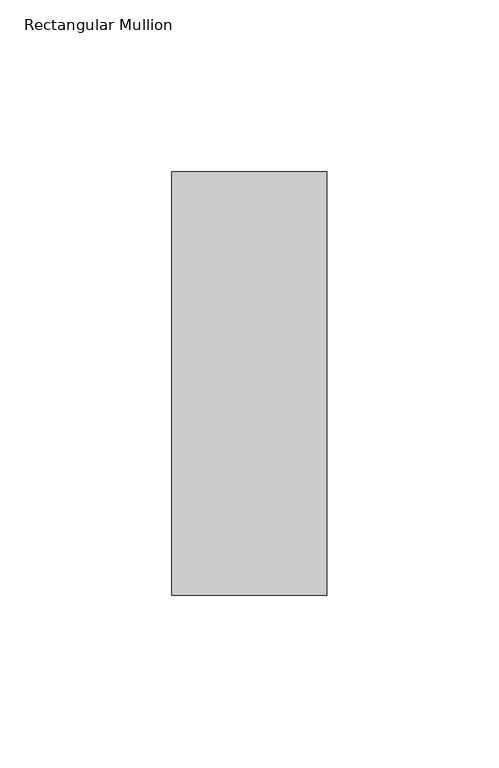
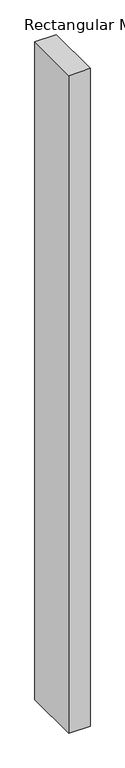
"""IFC4 building model written with IfcOpenShell, lengths in millimetres: member geometry, Rectangular Mullion."""

from ifc_helpers import new_model, si_unit, frame, origin, place, context, project, spatial, polyline, outline, extrude, source, transform, mapped, element, save


def rectangular_mullion_0c7ac5a2(model_context):
    return source(origin(), model_context, "Body", "SweptSolid", [
        extrude(outline(polyline([(22.5, 77.05), (22.5, -46.05), (-22.5, -46.05), (-22.5, 77.05), (22.5, 77.05)])), frame((0.0, 0.0, -1463.0437978), z_axis=(0.0, 0.0, 1.0), x_axis=(1.0, 0.0, 0.0)), (0.0, 0.0, 1.0), 1463.0437978),
    ])


if __name__ == "__main__":
    model = new_model("IFC4")
    model_context = context("Model", 3, world=origin())
    ifc_project = project(units=[si_unit("LENGTHUNIT", "METRE", prefix="MILLI")], contexts=[model_context])
    site = spatial("IfcSite", under=ifc_project)
    building = spatial("IfcBuilding", under=site)
    placement = place(None, origin())
    rectangular_mullion_shape = rectangular_mullion_0c7ac5a2(model_context)
    element("IfcMember", 1, ObjectType="Rectangular Mullion", at=placement, inside=building, context=model_context, shape_type="MappedRepresentation", body=[
        mapped(rectangular_mullion_shape, transform((0.0, 0.0, 0.0), x_axis=(1.0, 0.0, 0.0), y_axis=(0.0, 1.0, 0.0), z_axis=(0.0, 0.0, 1.0))),
    ])
    save(model, "model.ifc")
